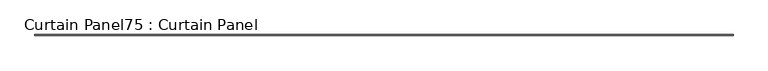
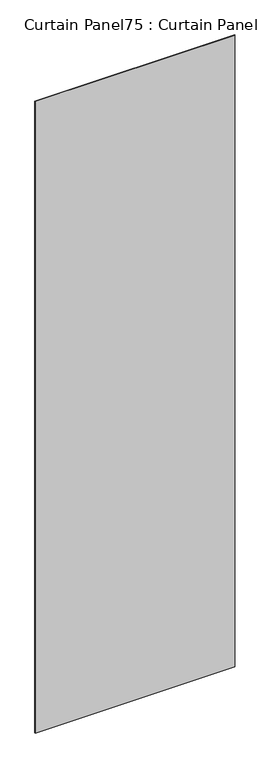
"""IFC4 building model written with IfcOpenShell, lengths in millimetres: plate geometry, Curtain Panel75 : Curtain Panel."""

from ifc_helpers import new_model, si_unit, frame, origin, place, context, project, spatial, polyline, outline, extrude, source, transform, mapped, element, save


def curtain_panel75_curtain_panel_6c403aed(model_context):
    return source(origin(), model_context, "Body", "SweptSolid", [
        extrude(outline(polyline([(165417.4298385, 8038.1084949), (160679.2917433, 8038.1084949), (160679.2917433, 8044.4584949), (165417.4298385, 8044.4584949), (165417.4298385, 8038.1084949)])), frame((0.0, 0.0, 1433.7679301), z_axis=(0.0, 0.0, 1.0), x_axis=(1.0, 0.0, 0.0)), (0.0, 0.0, 1.0), 15837.0064664),
    ])


if __name__ == "__main__":
    model = new_model("IFC4")
    model_context = context("Model", 3, world=origin())
    ifc_project = project(units=[si_unit("LENGTHUNIT", "METRE", prefix="MILLI")], contexts=[model_context])
    site = spatial("IfcSite", under=ifc_project)
    building = spatial("IfcBuilding", under=site)
    placement = place(None, origin())
    curtain_panel75_curtain_panel_shape = curtain_panel75_curtain_panel_6c403aed(model_context)
    element("IfcPlate", 1, ObjectType="Curtain Panel75 : Curtain Panel", at=placement, inside=building, context=model_context, shape_type="MappedRepresentation", body=[
        mapped(curtain_panel75_curtain_panel_shape, transform((0.0, 0.0, 0.0), x_axis=(1.0, 0.0, 0.0), y_axis=(0.0, 1.0, 0.0), z_axis=(0.0, 0.0, 1.0))),
    ])
    save(model, "model.ifc")
